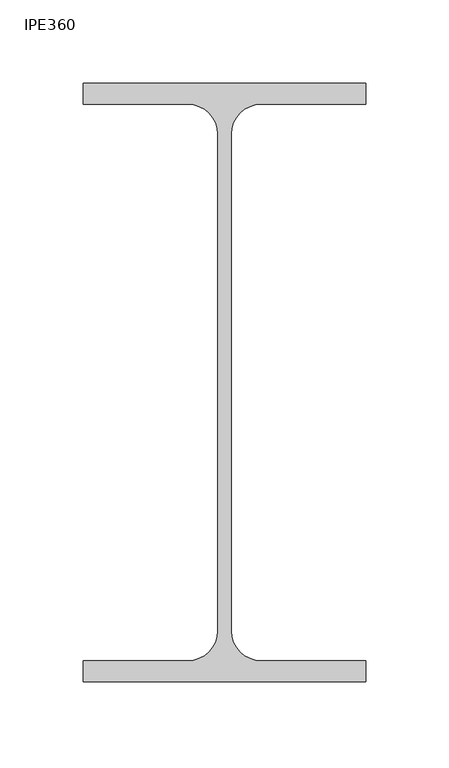
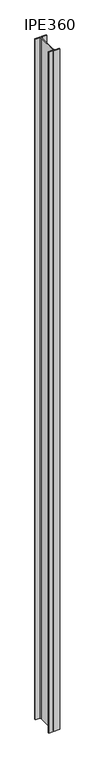
"""IFC4 building model written with IfcOpenShell, lengths in millimetres: column geometry, IPE360."""

from ifc_helpers import new_model, si_unit, point, frame_2d, origin, origin_with_axes, place, context, project, spatial, polyline, circle_curve, trimmed, segment, composite_curve, outline, extrude, source, transform, mapped, element, save


def ipe360_a516333d(model_context):
    return source(origin(), model_context, "Body", "SweptSolid", [
        extrude(outline(composite_curve([segment(polyline([(85.0, 180.0), (85.0, 167.3), (22.0, 167.3)]), True, "CONTINUOUS"), segment(trimmed(circle_curve(frame_2d((22.0, 149.3)), 18.0), [point((22.0, 167.3))], [point((4.0, 149.3))], True, "CARTESIAN"), True, "CONTINUOUS"), segment(polyline([(4.0, 149.3), (4.0, -149.3)]), True, "CONTINUOUS"), segment(trimmed(circle_curve(frame_2d((22.0, -149.3)), 18.0), [point((4.0, -149.3))], [point((22.0, -167.3))], True, "CARTESIAN"), True, "CONTINUOUS"), segment(polyline([(22.0, -167.3), (85.0, -167.3), (85.0, -180.0), (-85.0, -180.0), (-85.0, -167.3), (-22.0, -167.3)]), True, "CONTINUOUS"), segment(trimmed(circle_curve(frame_2d((-22.0, -149.3)), 18.0), [point((-22.0, -167.3))], [point((-4.0, -149.3))], True, "CARTESIAN"), True, "CONTINUOUS"), segment(polyline([(-4.0, -149.3), (-4.0, 149.3)]), True, "CONTINUOUS"), segment(trimmed(circle_curve(frame_2d((-22.0, 149.3)), 18.0), [point((-4.0, 149.3))], [point((-22.0, 167.3))], True, "CARTESIAN"), True, "CONTINUOUS"), segment(polyline([(-22.0, 167.3), (-85.0, 167.3), (-85.0, 180.0), (85.0, 180.0)]), True, "CONTINUOUS")], self_intersect=False)), origin_with_axes(), (0.0, 0.0, 1.0), 10850.0),
    ])


if __name__ == "__main__":
    model = new_model("IFC4")
    model_context = context("Model", 3, world=origin())
    ifc_project = project(units=[si_unit("LENGTHUNIT", "METRE", prefix="MILLI")], contexts=[model_context])
    site = spatial("IfcSite", under=ifc_project)
    building = spatial("IfcBuilding", under=site)
    placement = place(None, origin())
    ipe360_shape = ipe360_a516333d(model_context)
    element("IfcColumn", 1, ObjectType="IPE360", at=placement, inside=building, context=model_context, shape_type="MappedRepresentation", body=[
        mapped(ipe360_shape, transform((0.0, 0.0, 0.0), x_axis=(1.0, 0.0, 0.0), y_axis=(0.0, 1.0, 0.0), z_axis=(0.0, 0.0, 1.0))),
    ])
    save(model, "model.ifc")
